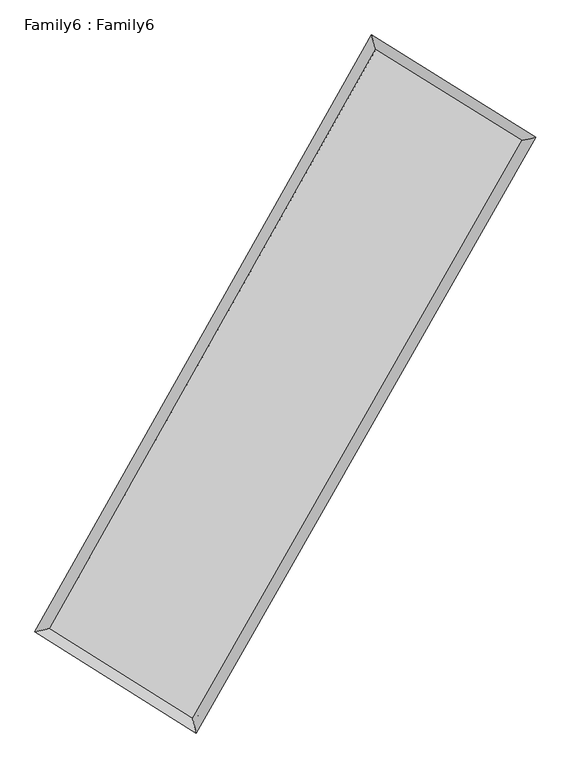
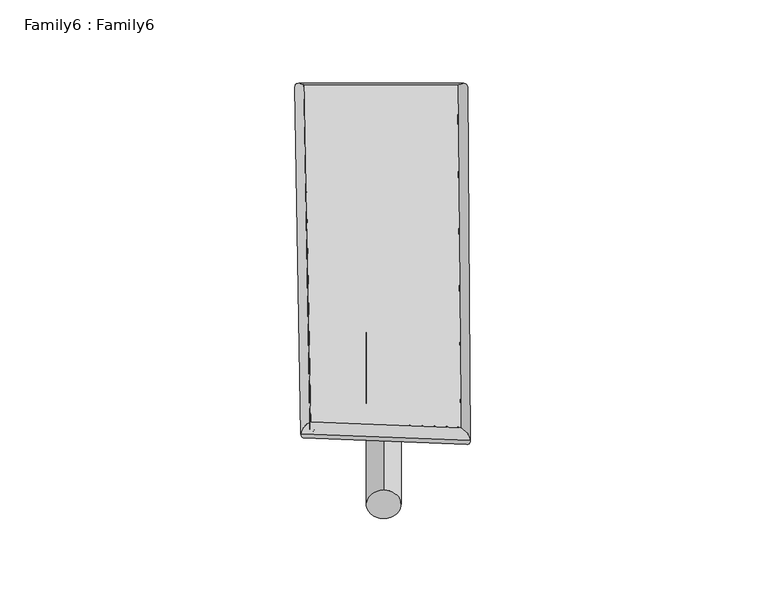
"""IFC4 building model written with IfcOpenShell, lengths in millimetres: plate geometry, Family6 : Family6."""

from ifc_helpers import new_model, si_unit, point, frame, origin, origin_2d, place, context, project, spatial, circle_curve, ellipse_curve, trimmed, segment, composite_curve, outline, extrude, source, transform, mapped, element, save
from ifc_brep_helpers import plane_surface, cylinder_surface, spline_surface, advanced_brep


def family6_family6_3f0df718(model_context):
    return source(origin(), model_context, "Body", "SolidModel", [
        extrude(outline(composite_curve([segment(trimmed(circle_curve(origin_2d(), 76.2), [point((-75.4341514, -10.7763073))], [point((75.4341514, 10.7763073))], False, "CARTESIAN"), True, "CONTINUOUS"), segment(trimmed(circle_curve(origin_2d(), 76.2), [point((75.4341514, 10.7763073))], [point((-75.4341514, -10.7763073))], False, "CARTESIAN"), True, "CONTINUOUS")], self_intersect=False)), frame((9144.0, 9144.0, 0.0), z_axis=(0.6712082987537836, 0.68611719465044, 0.280575506573653), x_axis=(-0.6788981148691299, 0.72096558137108, -0.13894596109783958)), (0.0, 0.0, 1.0), 5533.9403697),
        extrude(outline(composite_curve([segment(trimmed(circle_curve(origin_2d(), 76.2), [point((-53.8815367, 53.8815367))], [point((53.8815367, -53.8815367))], False, "CARTESIAN"), True, "CONTINUOUS"), segment(trimmed(circle_curve(origin_2d(), 76.2), [point((53.8815367, -53.8815367))], [point((-53.8815367, 53.8815367))], False, "CARTESIAN"), True, "CONTINUOUS")], self_intersect=False)), frame((9144.0, 9144.0, 0.0), z_axis=(-0.6677784888309306, -0.6892080103307688, 0.281183584781512), x_axis=(0.6479733929167528, -0.3523267976981073, 0.6752749882053595)), (0.0, 0.0, 1.0), 5523.0115641),
        extrude(outline(composite_curve([segment(trimmed(circle_curve(origin_2d(), 76.2), [point((-53.8815367, -53.8815368))], [point((53.8815367, 53.8815368))], False, "CARTESIAN"), True, "CONTINUOUS"), segment(trimmed(circle_curve(origin_2d(), 76.2), [point((53.8815367, 53.8815368))], [point((-53.8815367, -53.8815368))], False, "CARTESIAN"), True, "CONTINUOUS")], self_intersect=False)), frame((9144.0, 9144.0, 0.0), z_axis=(0.25095444779663967, 0.9308167793637145, 0.26571034678018396), x_axis=(-0.8431948512140008, 0.3450226056349426, -0.4122885451805252)), (0.0, 0.0, 1.0), 5616.5239008),
        extrude(outline(composite_curve([segment(trimmed(circle_curve(origin_2d(), 76.2), [point((-75.4341514, 10.7763074))], [point((75.4341514, -10.7763074))], False, "CARTESIAN"), True, "CONTINUOUS"), segment(trimmed(circle_curve(origin_2d(), 76.2), [point((75.4341514, -10.7763074))], [point((-75.4341514, 10.7763074))], False, "CARTESIAN"), True, "CONTINUOUS")], self_intersect=False)), frame((9144.0, 9144.0, 0.0), z_axis=(-0.2553216156236241, -0.9296345379654503, 0.26568872467063137), x_axis=(0.885034075370319, -0.1140821313286178, 0.4513313115051122)), (0.0, 0.0, 1.0), 5615.095176),
        advanced_brep(
        [(5251.7935144, 5285.7887472, 1548.5839185), (5251.6990094, 5285.6400353, 1558.8004075), (5659.9098534, 5389.2036305, 1557.3764623), (10608.0582376, 14158.7207971, 1498.5422619), (10498.9250705, 14585.1885801, 1486.1947649), (5660.0043584, 5389.3523424, 1547.1599733), (12653.2608658, 12888.9530871, 1552.0647346), (13063.5925361, 12992.9101966, 1553.3115105), (7656.7308913, 4137.4797361, 1493.0345579), (7763.9587643, 3710.5474448, 1490.7003945)],
        [
            (0, 1, ellipse_curve(frame((5455.8516839, 5337.4961889, 1552.9801904), z_axis=(-0.24585469720202696, 0.9692344523137486, 0.011834031931995807), x_axis=(-0.9690308297505387, -0.24605766348126307, 0.020853710344304083)), 210.7204442, 152.4)),
            (1, 2, ellipse_curve(frame((5455.8516839, 5337.4961889, 1552.9801904), z_axis=(-0.24585469720202696, 0.9692344523137486, 0.011834031931995807), x_axis=(-0.9690308297505387, -0.24605766348126307, 0.020853710344304083)), 210.7204442, 152.4)),
            (2, 3),
            (3, 4, ellipse_curve(frame((10553.4916541, 14371.9546886, 1492.3685134), z_axis=(-0.9686324134039803, -0.24821589394940327, -0.011837132003960991), x_axis=(0.24796336424675836, -0.9685742462399416, 0.019444781103380545)), 220.2004011, 152.4)),
            (4, 0),
            (2, 5, ellipse_curve(frame((5455.8516839, 5337.4961889, 1552.9801904), z_axis=(-0.24585469720202696, 0.9692344523137486, 0.011834031931995807), x_axis=(-0.9690308297505387, -0.24605766348126307, 0.020853710344304083)), 210.7204442, 152.4)),
            (5, 0, ellipse_curve(frame((5455.8516839, 5337.4961889, 1552.9801904), z_axis=(-0.24585469720202696, 0.9692344523137486, 0.011834031931995807), x_axis=(-0.9690308297505387, -0.24605766348126307, 0.020853710344304083)), 210.7204442, 152.4)),
            (4, 3, ellipse_curve(frame((10553.4916541, 14371.9546886, 1492.3685134), z_axis=(-0.9686324134039803, -0.24821589394940327, -0.011837132003960991), x_axis=(0.24796336424675836, -0.9685742462399416, 0.019444781103380545)), 220.2004011, 152.4)),
            (3, 6),
            (6, 7, ellipse_curve(frame((12858.426701, 12940.9316418, 1552.6881226), z_axis=(-0.24554153691802896, 0.9693194024995093, -0.011368798789949806), x_axis=(-0.9691270744275108, -0.2457301348683371, -0.02023399192357029)), 211.6781105, 152.4)),
            (7, 4),
            (7, 6, ellipse_curve(frame((12858.426701, 12940.9316418, 1552.6881226), z_axis=(-0.24554153691802896, 0.9693194024995093, -0.011368798789949806), x_axis=(-0.9691270744275108, -0.2457301348683371, -0.02023399192357029)), 211.6781105, 152.4)),
            (6, 8),
            (8, 9, ellipse_curve(frame((7710.3448278, 3924.0135905, 1491.8674762), z_axis=(0.9697874977331449, 0.24363835509832626, -0.012351565304338154), x_axis=(-0.24336912011752332, 0.9697281677398213, 0.019968777258299923)), 220.1248135, 152.4)),
            (9, 7),
            (9, 8, ellipse_curve(frame((7710.3448278, 3924.0135905, 1491.8674762), z_axis=(0.9697874977331449, 0.24363835509832626, -0.012351565304338154), x_axis=(-0.24336912011752332, 0.9697281677398213, 0.019968777258299923)), 220.1248135, 152.4)),
            (8, 5),
            (1, 9),
        ],
        [
            cylinder_surface(frame((5455.8516839, 5337.4961889, 1552.9801904), z_axis=(-0.49140631144938485, -0.8709108437026718, 0.005842892161476081), x_axis=(-0.8705085454100852, 0.4909484157092339, -0.034416935956168446)), 152.4),
            cylinder_surface(frame((10553.4916541, 14371.9546886, 1492.3685134), z_axis=(-0.8493685378427466, 0.5273319760160255, -0.022227775280231156), x_axis=(0.5277103889388847, 0.8492475578025367, -0.017330059792110476)), 152.4),
            cylinder_surface(frame((12858.426701, 12940.9316418, 1552.6881226), z_axis=(0.49580783998769357, 0.8684125024694224, 0.005857590078978554), x_axis=(0.8684308663807578, -0.4958078399876936, -0.0015543885949988103)), 152.4),
            cylinder_surface(frame((7710.3448278, 3924.0135905, 1491.8674762), z_axis=(0.8470268209322105, -0.5310540309276804, -0.022960419354516353), x_axis=(-0.5308072205270027, -0.8473364652607561, 0.01626681517093589)), 152.4),
        ],
        [
            (0, [[1, 2, 3, 4, 5]]),
            (0, [[6, 7, -5, 8, -3]]),
            (1, [[-4, 9, 10, 11]]),
            (1, [[-8, -11, 12, -9]]),
            (2, [[-10, 13, 14, 15]]),
            (2, [[-12, -15, 16, -13]]),
            (3, [[-14, 17, -6, -2, 18]]),
            (3, [[-16, -18, -1, -7, -17]]),
        ],
    ),
        extrude(outline(composite_curve([segment(trimmed(circle_curve(origin_2d(), 304.8), [point((0.0, 304.8))], [point((0.0, -304.8))], False, "CARTESIAN"), True, "CONTINUOUS"), segment(trimmed(circle_curve(origin_2d(), 304.8), [point((0.0, -304.8))], [point((0.0, 304.8))], False, "CARTESIAN"), True, "CONTINUOUS")], self_intersect=False)), frame((11743.7249561, 13653.2481344, -0.02583), z_axis=(-0.4994681078281987, -0.8663322741522979, 4.962541388846495e-06), x_axis=(-0.8663322741654931, 0.4994681078281987, -1.3280760301013885e-06)), (0.0, 0.0, 1.0), 10409.9737917),
        advanced_brep(
        [(5455.8516839, 5337.4961889, 1552.9801904), (7710.3448278, 3924.0135905, 1491.8674762), (7710.3339956, 3924.0173902, 1644.2674758), (5455.8408517, 5337.4999886, 1705.38019), (12858.426701, 12940.9316418, 1552.6881226), (12858.4158687, 12940.9354415, 1705.0881221), (10553.4916541, 14371.9546886, 1492.3685134), (10553.4808219, 14371.9584883, 1644.768513)],
        [
            (0, 1),
            (1, 2),
            (2, 3),
            (3, 0),
            (1, 4),
            (4, 5),
            (5, 2),
            (4, 6),
            (6, 7),
            (7, 5),
            (6, 0),
            (3, 7),
        ],
        [
            plane_surface(frame((6583.0982559, 4630.7548897, 1522.4238333), z_axis=(-0.5311943906156363, -0.8472499743888221, -1.6631997056161182e-05), x_axis=(0.8470268209322104, -0.5310540309276807, -0.022960419354516336))),
            plane_surface(frame((10284.3857644, 8432.4726161, 1522.2777994), z_axis=(0.8684271835015913, -0.49581672164876067, 7.408757845188798e-05), x_axis=(0.4958078399876939, 0.8684125024694221, 0.00585759007897858))),
            plane_surface(frame((11705.9591775, 13656.4431652, 1522.528318), z_axis=(0.5274619866934266, 0.8495786322215569, 1.6308647892484054e-05), x_axis=(-0.8493685378427464, 0.5273319760160261, -0.02222777528023115))),
            plane_surface(frame((8004.671669, 9854.7254387, 1522.6743519), z_axis=(-0.870925920795416, 0.4914143211055523, -7.41554200460186e-05), x_axis=(-0.4914063114493851, -0.8709108437026717, 0.005842892161476083))),
            spline_surface(1, 1, [[(7710.3339956, 3924.0173902, 1644.2674758), (5455.8408517, 5337.4999886, 1705.38019)], [(12858.4158687, 12940.9354415, 1705.0881221), (10553.4808219, 14371.9584883, 1644.768513)]], [2, 2], [2, 2], [0.0, 1.0], [0.0, 1.0]),
            spline_surface(1, 1, [[(10553.4916541, 14371.9546886, 1492.3685134), (5455.8516839, 5337.4961889, 1552.9801904)], [(12858.426701, 12940.9316418, 1552.6881226), (7710.3448278, 3924.0135905, 1491.8674762)]], [2, 2], [2, 2], [0.0, 1.0], [0.0, 1.0]),
        ],
        [
            (0, [[1, 2, 3, 4]]),
            (1, [[5, 6, 7, -2]]),
            (2, [[8, 9, 10, -6]]),
            (3, [[11, -4, 12, -9]]),
            (4, [[-3, -7, -10, -12]]),
            (5, [[-11, -8, -5, -1]]),
        ],
    ),
    ])


if __name__ == "__main__":
    model = new_model("IFC4")
    model_context = context("Model", 3, world=origin())
    ifc_project = project(units=[si_unit("LENGTHUNIT", "METRE", prefix="MILLI")], contexts=[model_context])
    site = spatial("IfcSite", under=ifc_project)
    building = spatial("IfcBuilding", under=site)
    placement = place(None, origin())
    family6_family6_shape = family6_family6_3f0df718(model_context)
    element("IfcPlate", 1, ObjectType="Family6 : Family6", at=placement, inside=building, context=model_context, shape_type="MappedRepresentation", body=[
        mapped(family6_family6_shape, transform((0.0, 0.0, 0.0), x_axis=(1.0, 0.0, 0.0), y_axis=(0.0, 1.0, 0.0), z_axis=(0.0, 0.0, 1.0))),
    ])
    save(model, "model.ifc")
